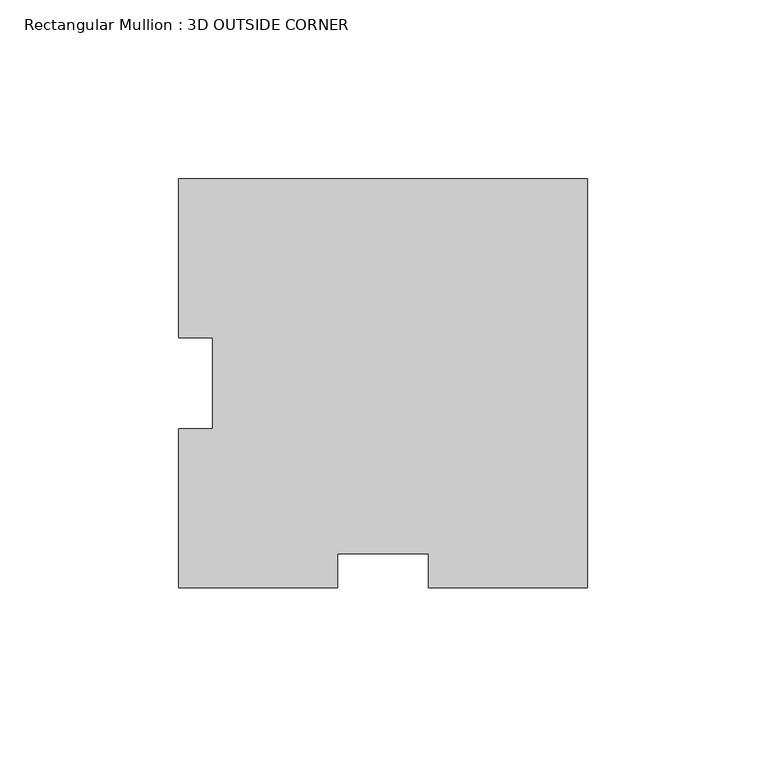
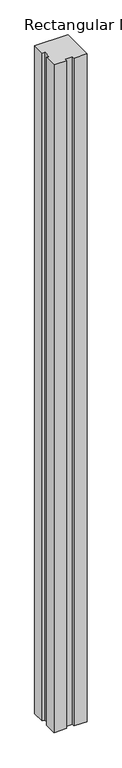
"""IFC4 building model written with IfcOpenShell, lengths in millimetres: member geometry, Rectangular Mullion : 3D OUTSIDE CORNER."""

from ifc_helpers import new_model, si_unit, frame, origin, place, context, project, spatial, polyline, outline, extrude, source, transform, mapped, element, save


def rectangular_mullion_3d_outside_corner_83b76376(model_context):
    return source(origin(), model_context, "Body", "SweptSolid", [
        extrude(outline(polyline([(0.0, 57.15), (0.0, -57.15), (-44.4061508, -57.15), (-44.4061508, -47.625), (-69.8938492, -47.625), (-69.8938492, -57.15), (-114.3, -57.15), (-114.3, -12.7438492), (-104.775, -12.7438492), (-104.775, 12.7438492), (-114.3, 12.7438492), (-114.3, 57.15), (0.0, 57.15)])), frame((0.0, 0.0, -2438.4), z_axis=(0.0, 0.0, 1.0), x_axis=(1.0, 0.0, 0.0)), (0.0, 0.0, 1.0), 2438.4),
    ])


if __name__ == "__main__":
    model = new_model("IFC4")
    model_context = context("Model", 3, world=origin())
    ifc_project = project(units=[si_unit("LENGTHUNIT", "METRE", prefix="MILLI")], contexts=[model_context])
    site = spatial("IfcSite", under=ifc_project)
    building = spatial("IfcBuilding", under=site)
    placement = place(None, origin())
    rectangular_mullion_3d_outside_corner_shape = rectangular_mullion_3d_outside_corner_83b76376(model_context)
    element("IfcMember", 1, ObjectType="Rectangular Mullion : 3D OUTSIDE CORNER", at=placement, inside=building, context=model_context, shape_type="MappedRepresentation", body=[
        mapped(rectangular_mullion_3d_outside_corner_shape, transform((0.0, 0.0, 0.0), x_axis=(1.0, 0.0, 0.0), y_axis=(0.0, 1.0, 0.0), z_axis=(0.0, 0.0, 1.0))),
    ])
    save(model, "model.ifc")
